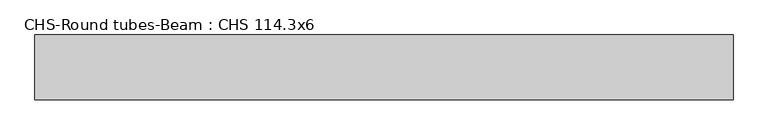
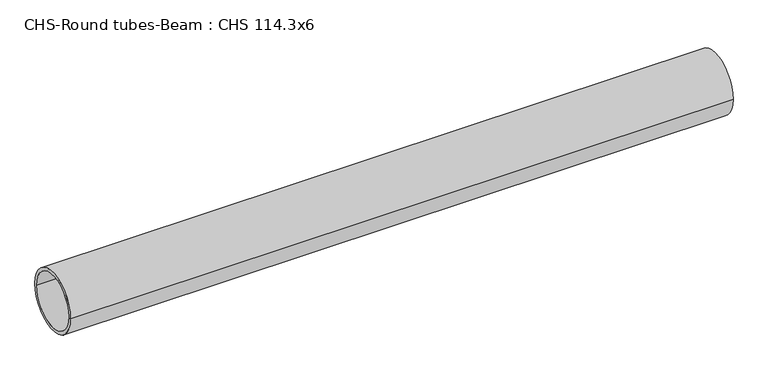
"""IFC4 building model written with IfcOpenShell, lengths in millimetres: beam geometry, CHS-Round tubes-Beam : CHS 114.3x6."""

from ifc_helpers import new_model, si_unit, point, frame, origin, origin_2d, place, context, project, spatial, circle_curve, trimmed, segment, composite_curve, outline, extrude, source, transform, mapped, element, save


def chs_round_tubes_beam_chs_114_3x6_ebf22908(model_context):
    return source(origin(), model_context, "Body", "SweptSolid", [
        extrude(outline(composite_curve([segment(trimmed(circle_curve(origin_2d(), 57.15), [point((57.15, 0.0))], [point((-57.15, 0.0))], False, "CARTESIAN"), True, "CONTINUOUS"), segment(trimmed(circle_curve(origin_2d(), 57.15), [point((-57.15, 0.0))], [point((57.15, 0.0))], False, "CARTESIAN"), True, "CONTINUOUS")], self_intersect=False), holes=[composite_curve([segment(trimmed(circle_curve(origin_2d(), 51.15), [point((51.15, 0.0))], [point((-51.15, 0.0))], True, "CARTESIAN"), True, "CONTINUOUS"), segment(trimmed(circle_curve(origin_2d(), 51.15), [point((-51.15, 0.0))], [point((51.15, 0.0))], True, "CARTESIAN"), True, "CONTINUOUS")], self_intersect=False)]), frame((-616.2036463, 0.0, 0.0), z_axis=(1.0, 0.0, 0.0), x_axis=(0.0, 1.0, 0.0)), (0.0, 0.0, 1.0), 1232.4099107),
    ])


if __name__ == "__main__":
    model = new_model("IFC4")
    model_context = context("Model", 3, world=origin())
    ifc_project = project(units=[si_unit("LENGTHUNIT", "METRE", prefix="MILLI")], contexts=[model_context])
    site = spatial("IfcSite", under=ifc_project)
    building = spatial("IfcBuilding", under=site)
    placement = place(None, origin())
    chs_round_tubes_beam_chs_114_3x6_shape = chs_round_tubes_beam_chs_114_3x6_ebf22908(model_context)
    element("IfcBeam", 1, ObjectType="CHS-Round tubes-Beam : CHS 114.3x6", at=placement, inside=building, context=model_context, shape_type="MappedRepresentation", body=[
        mapped(chs_round_tubes_beam_chs_114_3x6_shape, transform((0.0, 0.0, 0.0), x_axis=(1.0, 0.0, 0.0), y_axis=(0.0, 1.0, 0.0), z_axis=(0.0, 0.0, 1.0))),
    ])
    save(model, "model.ifc")
